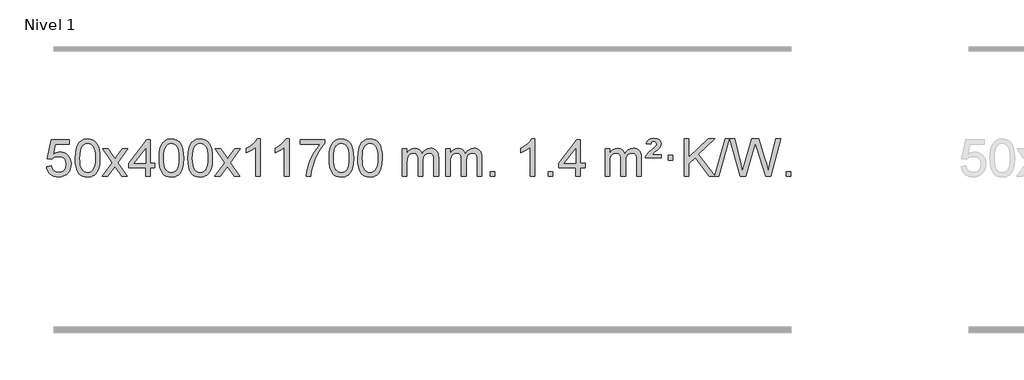
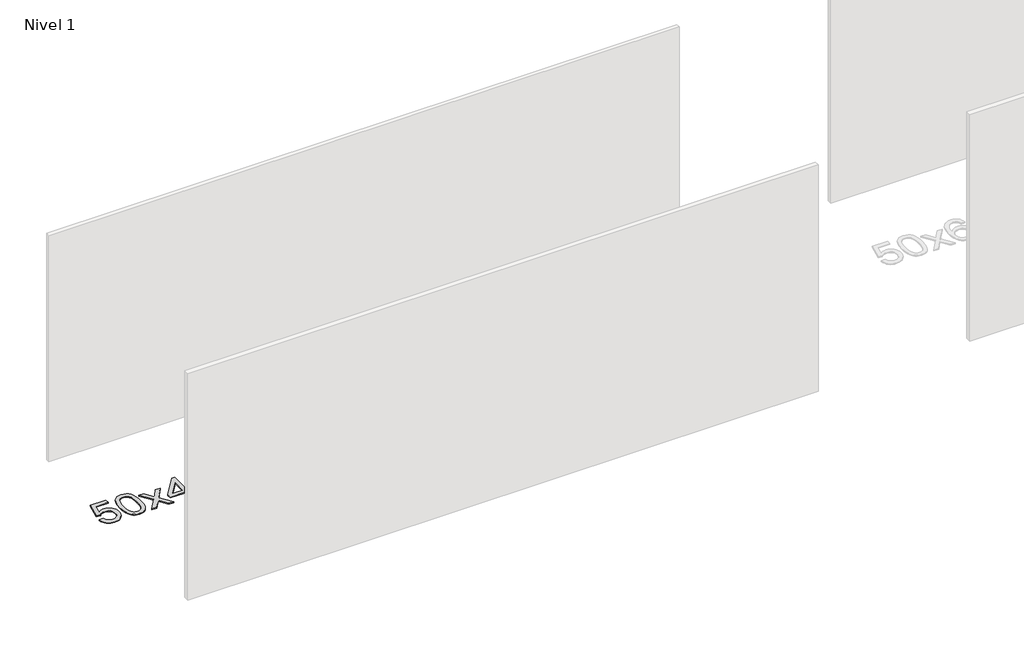
# One storey, part 5 of 12: 1 proxy.
"""IFC4 building model written with IfcOpenShell, lengths in millimetres."""

from ifc_helpers import new_model, si_unit, origin, origin_with_axes, place, context, project, spatial, polyline, outline, extrude, element, save

model = new_model("IFC4")

# Units and contexts
model_context = context("Model", 3, world=origin())
ifc_project = project(units=[si_unit("LENGTHUNIT", "METRE", prefix="MILLI")], contexts=[model_context])

# Site, building, storey
site = spatial("IfcSite", under=ifc_project)
building = spatial("IfcBuilding", under=site)
storey = spatial("IfcBuildingStorey", under=building, Name="Nivel 1", Elevation=0.0)

# Proxy
placement = place(None, origin())
element("IfcBuildingElementProxy", 1, Name="Texto de modelo 1", ObjectType="Texto de modelo 1", at=placement, inside=storey, context=model_context, shape_type="SweptSolid", body=[
    extrude(outline(polyline([(-11709.9934354, -284.8446235), (-11659.7652803, -278.5661041), (-11650.543705, -308.7201649), (-11634.454999, -330.3148381), (-11611.5727389, -343.3010725), (-11581.9705011, -347.6298173), (-11562.8406373, -346.1245668), (-11545.9671165, -341.6088153), (-11531.3499385, -334.0825628), (-11518.9891035, -323.5458094), (-11509.1605228, -310.519721), (-11502.1401081, -295.5254641), (-11496.5237763, -259.6324441), (-11501.7844888, -225.8363514), (-11508.3603795, -211.9181493), (-11517.5666264, -199.9865099), (-11529.4338865, -190.4154467), (-11543.9928164, -183.5789729), (-11581.1856861, -178.1097939), (-11605.5517369, -180.2925604), (-11625.2824746, -186.8408599), (-11641.0400868, -196.8717757), (-11653.4867609, -209.5023908), (-11703.714916, -203.2238715), (-11659.7652803, 3.9672682), (-11465.1311794, 3.9672682), (-11465.1311794, -46.2608869), (-11619.151108, -46.2608869), (-11640.6354166, -156.919791), (-11622.9096358, -144.2155994), (-11604.7546593, -135.1411769), (-11586.1704872, -129.6965234), (-11567.1571194, -127.8816388), (-11542.6960324, -130.1318504), (-11520.2276395, -136.882485), (-11499.7519408, -148.1335427), (-11481.2689362, -163.8850234), (-11465.9681109, -183.1743027), (-11455.03895, -205.038756), (-11448.4814534, -229.4783832), (-11446.2956212, -256.4931844), (-11448.2637899, -282.5147042), (-11454.1682959, -306.7213394), (-11464.0091393, -329.1130902), (-11477.78632, -349.6899565), (-11498.6574919, -370.7634634), (-11523.01128, -385.8159684), (-11550.8476843, -394.8474714), (-11582.1667048, -397.8579724), (-11608.087057, -395.9235262), (-11631.4996803, -390.1201877), (-11652.4045747, -380.447957), (-11670.8017402, -366.9068338), (-11686.1086968, -350.1712688), (-11697.7429649, -330.915712), (-11705.7045445, -309.1401636), (-11709.9934354, -284.8446235)])), origin_with_axes(), (0.0, 0.0, 1.0), 10.0),
    extrude(outline(polyline([(-11402.3459855, -193.9041943), (-11398.6549029, -129.5861588), (-11387.5816548, -78.2911459), (-11369.236606, -39.2343407), (-11357.378543, -24.0009605), (-11343.730121, -11.6309284), (-11328.2453547, -2.0598651), (-11310.8782588, 4.7766086), (-11270.4970785, 10.2457876), (-11239.5459399, 7.008426), (-11211.832163, -2.7036586), (-11188.6555973, -18.5103217), (-11171.3160926, -40.0314184), (-11158.2194935, -67.0830078), (-11147.7716449, -99.4811488), (-11140.9290398, -140.6226186), (-11138.6481714, -193.9041943), (-11142.3024659, -257.8543477), (-11153.2653493, -309.0267333), (-11171.5000336, -348.1203266), (-11183.3305054, -363.3996922), (-11196.9697304, -375.8341036), (-11212.4728908, -385.4695462), (-11229.8951689, -392.3520052), (-11270.4970785, -397.8579724), (-11298.1618045, -395.4667394), (-11322.6872709, -388.2930405), (-11344.0734775, -376.3368757), (-11362.3204245, -359.5982449), (-11379.8316074, -329.3399508), (-11392.3395953, -291.6381776), (-11399.844388, -246.4929255), (-11402.3459855, -193.9041943)]), holes=[polyline([(-11352.1178305, -193.8060924), (-11350.6463025, -237.4706195), (-11346.2317185, -272.8148822), (-11338.8740786, -299.8388804), (-11328.5733828, -318.5426142), (-11316.1144459, -331.2682656), (-11302.2820829, -340.3580165), (-11287.0762937, -345.8118671), (-11270.4970785, -347.6298173), (-11253.9178632, -345.8057357), (-11238.7120741, -340.3334911), (-11224.8797111, -331.2130833), (-11212.4207742, -318.4445124), (-11202.1200783, -299.7101217), (-11194.7624384, -272.6922549), (-11190.3478545, -237.3909118), (-11188.8763265, -193.8060924), (-11190.2988035, -151.2973278), (-11194.5662347, -116.5753989), (-11201.6786199, -89.6403055), (-11211.6359592, -70.4920476), (-11223.8864297, -57.1440625), (-11237.8782082, -47.6097875), (-11253.6112949, -41.8892225), (-11271.0856897, -39.9823675), (-11287.5790658, -41.6623619), (-11302.5273375, -46.7023452), (-11315.9305049, -55.1023175), (-11327.7885679, -66.8622786), (-11338.4326203, -87.708925), (-11346.0355148, -115.8151094), (-11350.5972516, -151.1808319), (-11352.1178305, -193.8060924)])]), origin_with_axes(), (0.0, 0.0, 1.0), 10.0),
    extrude(outline(polyline([(-11113.5340939, -391.579453), (-11006.2106531, -243.2494325), (-11107.2555745, -96.4890419), (-11046.8248254, -96.4890419), (-10998.0681983, -167.122385), (-10975.3085655, -200.4770192), (-10955.5900906, -173.2047007), (-10900.0644348, -96.4890419), (-10839.6336857, -96.4890419), (-10945.7799041, -243.2494325), (-10843.5577603, -391.579453), (-10903.9885094, -391.579453), (-10965.498379, -302.4048574), (-10976.7800935, -286.1199477), (-11053.1033448, -391.579453), (-11113.5340939, -391.579453)])), origin_with_axes(), (0.0, 0.0, 1.0), 10.0),
    extrude(outline(polyline([(-10648.9236594, -391.579453), (-10648.9236594, -297.4016622), (-10831.0007216, -297.4016622), (-10831.0007216, -247.1735072), (-10636.3666207, 3.9672682), (-10598.6955043, 3.9672682), (-10598.6955043, -247.1735072), (-10548.4673493, -247.1735072), (-10548.4673493, -297.4016622), (-10598.6955043, -297.4016622), (-10598.6955043, -391.579453), (-10648.9236594, -391.579453)]), holes=[polyline([(-10648.9236594, -247.1735072), (-10648.9236594, -91.9763561), (-10769.1965464, -247.1735072), (-10648.9236594, -247.1735072)])]), origin_with_axes(), (0.0, 0.0, 1.0), 10.0),
    extrude(outline(polyline([(-10504.5177136, -193.9041943), (-10500.8266309, -129.5861588), (-10489.7533828, -78.2911459), (-10471.408334, -39.2343407), (-10459.550271, -24.0009605), (-10445.901849, -11.6309284), (-10430.4170827, -2.0598651), (-10413.0499869, 4.7766086), (-10372.6688065, 10.2457876), (-10341.717668, 7.008426), (-10314.003891, -2.7036586), (-10290.8273253, -18.5103217), (-10273.4878206, -40.0314184), (-10260.3912216, -67.0830078), (-10249.9433729, -99.4811488), (-10243.1007678, -140.6226186), (-10240.8198994, -193.9041943), (-10244.4741939, -257.8543477), (-10255.4370774, -309.0267333), (-10273.6717616, -348.1203266), (-10285.5022334, -363.3996922), (-10299.1414584, -375.8341036), (-10314.6446188, -385.4695462), (-10332.066897, -392.3520052), (-10372.6688065, -397.8579724), (-10400.3335326, -395.4667394), (-10424.8589989, -388.2930405), (-10446.2452055, -376.3368757), (-10464.4921525, -359.5982449), (-10482.0033355, -329.3399508), (-10494.5113233, -291.6381776), (-10502.016116, -246.4929255), (-10504.5177136, -193.9041943)]), holes=[polyline([(-10454.2895585, -193.8060924), (-10452.8180305, -237.4706195), (-10448.4034466, -272.8148822), (-10441.0458067, -299.8388804), (-10430.7451108, -318.5426142), (-10418.2861739, -331.2682656), (-10404.4538109, -340.3580165), (-10389.2480218, -345.8118671), (-10372.6688065, -347.6298173), (-10356.0895913, -345.8057357), (-10340.8838021, -340.3334911), (-10327.0514391, -331.2130833), (-10314.5925022, -318.4445124), (-10304.2918063, -299.7101217), (-10296.9341664, -272.6922549), (-10292.5195825, -237.3909118), (-10291.0480545, -193.8060924), (-10292.4705316, -151.2973278), (-10296.7379627, -116.5753989), (-10303.8503479, -89.6403055), (-10313.8076873, -70.4920476), (-10326.0581577, -57.1440625), (-10340.0499363, -47.6097875), (-10355.7830229, -41.8892225), (-10373.2574177, -39.9823675), (-10389.7507938, -41.6623619), (-10404.6990656, -46.7023452), (-10418.1022329, -55.1023175), (-10429.9602959, -66.8622786), (-10440.6043483, -87.708925), (-10448.2072429, -115.8151094), (-10452.7689796, -151.1808319), (-10454.2895585, -193.8060924)])]), origin_with_axes(), (0.0, 0.0, 1.0), 10.0),
    extrude(outline(polyline([(-10196.8702638, -193.9041943), (-10193.1791811, -129.5861588), (-10182.105933, -78.2911459), (-10163.7608842, -39.2343407), (-10151.9028212, -24.0009605), (-10138.2543992, -11.6309284), (-10122.7696329, -2.0598651), (-10105.402537, 4.7766086), (-10065.0213567, 10.2457876), (-10034.0702182, 7.008426), (-10006.3564412, -2.7036586), (-9983.1798755, -18.5103217), (-9965.8403708, -40.0314184), (-9952.7437718, -67.0830078), (-9942.2959231, -99.4811488), (-9935.453318, -140.6226186), (-9933.1724496, -193.9041943), (-9936.8267441, -257.8543477), (-9947.7896275, -309.0267333), (-9966.0243118, -348.1203266), (-9977.8547836, -363.3996922), (-9991.4940086, -375.8341036), (-10006.997169, -385.4695462), (-10024.4194471, -392.3520052), (-10065.0213567, -397.8579724), (-10092.6860827, -395.4667394), (-10117.2115491, -388.2930405), (-10138.5977557, -376.3368757), (-10156.8447027, -359.5982449), (-10174.3558856, -329.3399508), (-10186.8638735, -291.6381776), (-10194.3686662, -246.4929255), (-10196.8702638, -193.9041943)]), holes=[polyline([(-10146.6421087, -193.8060924), (-10145.1705807, -237.4706195), (-10140.7559968, -272.8148822), (-10133.3983568, -299.8388804), (-10123.097661, -318.5426142), (-10110.6387241, -331.2682656), (-10096.8063611, -340.3580165), (-10081.6005719, -345.8118671), (-10065.0213567, -347.6298173), (-10048.4421414, -345.8057357), (-10033.2363523, -340.3334911), (-10019.4039893, -331.2130833), (-10006.9450524, -318.4445124), (-9996.6443565, -299.7101217), (-9989.2867166, -272.6922549), (-9984.8721327, -237.3909118), (-9983.4006047, -193.8060924), (-9984.8230817, -151.2973278), (-9989.0905129, -116.5753989), (-9996.2028981, -89.6403055), (-10006.1602375, -70.4920476), (-10018.4107079, -57.1440625), (-10032.4024864, -47.6097875), (-10048.1355731, -41.8892225), (-10065.6099679, -39.9823675), (-10082.103344, -41.6623619), (-10097.0516157, -46.7023452), (-10110.4547831, -55.1023175), (-10122.3128461, -66.8622786), (-10132.9568985, -87.708925), (-10140.559793, -115.8151094), (-10145.1215298, -151.1808319), (-10146.6421087, -193.8060924)])]), origin_with_axes(), (0.0, 0.0, 1.0), 10.0),
    extrude(outline(polyline([(-9908.0583721, -391.579453), (-9800.7349313, -243.2494325), (-9901.7798527, -96.4890419), (-9841.3491036, -96.4890419), (-9792.5924765, -167.122385), (-9769.8328437, -200.4770192), (-9750.1143688, -173.2047007), (-9694.588713, -96.4890419), (-9634.1579639, -96.4890419), (-9740.3041823, -243.2494325), (-9638.0820385, -391.579453), (-9698.5127876, -391.579453), (-9760.0226572, -302.4048574), (-9771.3043717, -286.1199477), (-9847.627623, -391.579453), (-9908.0583721, -391.579453)])), origin_with_axes(), (0.0, 0.0, 1.0), 10.0),
    extrude(outline(polyline([(-9418.3338601, -391.579453), (-9468.5620152, -391.579453), (-9468.5620152, -78.4382987), (-9489.5312889, -95.3976587), (-9516.1414199, -112.3324932), (-9569.0183253, -137.6918254), (-9569.0183253, -90.2105225), (-9529.5691127, -68.7507395), (-9495.3928753, -43.219729), (-9468.4516506, -16.0700378), (-9450.7074757, 10.2457876), (-9418.3338601, 10.2457876), (-9418.3338601, -391.579453)])), origin_with_axes(), (0.0, 0.0, 1.0), 10.0),
    extrude(outline(polyline([(-9110.6864103, -391.579453), (-9160.9145653, -391.579453), (-9160.9145653, -78.4382987), (-9181.8838391, -95.3976587), (-9208.49397, -112.3324932), (-9261.3708755, -137.6918254), (-9261.3708755, -90.2105225), (-9221.9216629, -68.7507395), (-9187.7454255, -43.219729), (-9160.8042007, -16.0700378), (-9143.0600258, 10.2457876), (-9110.6864103, 10.2457876), (-9110.6864103, -391.579453)])), origin_with_axes(), (0.0, 0.0, 1.0), 10.0),
    extrude(outline(polyline([(-8991.394542, -46.2608869), (-8991.394542, 3.9672682), (-8727.6967278, 3.9672682), (-8727.6967278, -36.646904), (-8765.282005, -84.214046), (-8802.4994002, -144.7061088), (-8835.3267369, -212.6048623), (-8859.7418386, -282.3920768), (-8871.7102662, -334.6067947), (-8878.381193, -391.579453), (-8928.6093481, -391.579453), (-8923.1769573, -339.8061935), (-8908.6456185, -278.2717985), (-8885.4077391, -213.0463207), (-8853.8557267, -150.1998132), (-8817.0184762, -93.3865704), (-8777.9248829, -46.2608869), (-8991.394542, -46.2608869)])), origin_with_axes(), (0.0, 0.0, 1.0), 10.0),
    extrude(outline(polyline([(-8683.7470921, -193.9041943), (-8680.0560094, -129.5861588), (-8668.9827614, -78.2911459), (-8650.6377126, -39.2343407), (-8638.7796496, -24.0009605), (-8625.1312276, -11.6309284), (-8609.6464612, -2.0598651), (-8592.2793654, 4.7766086), (-8551.8981851, 10.2457876), (-8520.9470465, 7.008426), (-8493.2332696, -2.7036586), (-8470.0567039, -18.5103217), (-8452.7171992, -40.0314184), (-8439.6206001, -67.0830078), (-8429.1727515, -99.4811488), (-8422.3301463, -140.6226186), (-8420.049278, -193.9041943), (-8423.7035725, -257.8543477), (-8434.6664559, -309.0267333), (-8452.9011401, -348.1203266), (-8464.731612, -363.3996922), (-8478.3708369, -375.8341036), (-8493.8739974, -385.4695462), (-8511.2962755, -392.3520052), (-8551.8981851, -397.8579724), (-8579.5629111, -395.4667394), (-8604.0883774, -388.2930405), (-8625.4745841, -376.3368757), (-8643.721531, -359.5982449), (-8661.232714, -329.3399508), (-8673.7407019, -291.6381776), (-8681.2454946, -246.4929255), (-8683.7470921, -193.9041943)]), holes=[polyline([(-8633.518937, -193.8060924), (-8632.0474091, -237.4706195), (-8627.6328251, -272.8148822), (-8620.2751852, -299.8388804), (-8609.9744894, -318.5426142), (-8597.5155525, -331.2682656), (-8583.6831894, -340.3580165), (-8568.4774003, -345.8118671), (-8551.8981851, -347.6298173), (-8535.3189698, -345.8057357), (-8520.1131807, -340.3334911), (-8506.2808176, -331.2130833), (-8493.8218807, -318.4445124), (-8483.5211849, -299.7101217), (-8476.163545, -272.6922549), (-8471.748961, -237.3909118), (-8470.2774331, -193.8060924), (-8471.6999101, -151.2973278), (-8475.9673412, -116.5753989), (-8483.0797265, -89.6403055), (-8493.0370658, -70.4920476), (-8505.2875363, -57.1440625), (-8519.2793148, -47.6097875), (-8535.0124015, -41.8892225), (-8552.4867962, -39.9823675), (-8568.9801724, -41.6623619), (-8583.9284441, -46.7023452), (-8597.3316115, -55.1023175), (-8609.1896744, -66.8622786), (-8619.8337268, -87.708925), (-8627.4366214, -115.8151094), (-8631.9983581, -151.1808319), (-8633.518937, -193.8060924)])]), origin_with_axes(), (0.0, 0.0, 1.0), 10.0),
    extrude(outline(polyline([(-8376.0996423, -193.9041943), (-8372.4085596, -129.5861588), (-8361.3353115, -78.2911459), (-8342.9902627, -39.2343407), (-8331.1321997, -24.0009605), (-8317.4837777, -11.6309284), (-8301.9990114, -2.0598651), (-8284.6319156, 4.7766086), (-8244.2507352, 10.2457876), (-8213.2995967, 7.008426), (-8185.5858197, -2.7036586), (-8162.409254, -18.5103217), (-8145.0697493, -40.0314184), (-8131.9731503, -67.0830078), (-8121.5253016, -99.4811488), (-8114.6826965, -140.6226186), (-8112.4018281, -193.9041943), (-8116.0561226, -257.8543477), (-8127.0190061, -309.0267333), (-8145.2536903, -348.1203266), (-8157.0841621, -363.3996922), (-8170.7233871, -375.8341036), (-8186.2265475, -385.4695462), (-8203.6488257, -392.3520052), (-8244.2507352, -397.8579724), (-8271.9154613, -395.4667394), (-8296.4409276, -388.2930405), (-8317.8271343, -376.3368757), (-8336.0740812, -359.5982449), (-8353.5852642, -329.3399508), (-8366.093252, -291.6381776), (-8373.5980447, -246.4929255), (-8376.0996423, -193.9041943)]), holes=[polyline([(-8325.8714872, -193.8060924), (-8324.3999592, -237.4706195), (-8319.9853753, -272.8148822), (-8312.6277354, -299.8388804), (-8302.3270395, -318.5426142), (-8289.8681026, -331.2682656), (-8276.0357396, -340.3580165), (-8260.8299505, -345.8118671), (-8244.2507352, -347.6298173), (-8227.67152, -345.8057357), (-8212.4657308, -340.3334911), (-8198.6333678, -331.2130833), (-8186.1744309, -318.4445124), (-8175.873735, -299.7101217), (-8168.5160951, -272.6922549), (-8164.1015112, -237.3909118), (-8162.6299832, -193.8060924), (-8164.0524603, -151.2973278), (-8168.3198914, -116.5753989), (-8175.4322767, -89.6403055), (-8185.389616, -70.4920476), (-8197.6400864, -57.1440625), (-8211.631865, -47.6097875), (-8227.3649516, -41.8892225), (-8244.8393464, -39.9823675), (-8261.3327225, -41.6623619), (-8276.2809943, -46.7023452), (-8289.6841616, -55.1023175), (-8301.5422246, -66.8622786), (-8312.186277, -87.708925), (-8319.7891716, -115.8151094), (-8324.3509083, -151.1808319), (-8325.8714872, -193.8060924)])]), origin_with_axes(), (0.0, 0.0, 1.0), 10.0),
    extrude(outline(polyline([(-7898.9321691, -391.579453), (-7898.9321691, -96.4890419), (-7848.704014, -96.4890419), (-7848.704014, -145.0494653), (-7833.5963267, -122.7435537), (-7814.1721574, -105.2691589), (-7791.0936936, -93.9751816), (-7765.0231228, -90.2105225), (-7737.0886167, -94.048758), (-7714.6968659, -105.5634645), (-7697.9704978, -123.9943524), (-7687.0321399, -148.5811324), (-7668.7238792, -123.0439906), (-7647.8404446, -104.803175), (-7624.3818361, -93.8586857), (-7598.3480536, -90.2105225), (-7578.2402368, -91.7280358), (-7560.5910981, -96.2805755), (-7545.4006374, -103.8681416), (-7532.6688547, -114.4907342), (-7522.6042164, -128.2709806), (-7515.4151891, -145.3315082), (-7511.1017727, -165.6723168), (-7509.6639672, -189.2934066), (-7509.6639672, -391.579453), (-7559.8921223, -391.579453), (-7559.8921223, -210.875817), (-7561.057082, -185.8230531), (-7564.5519609, -168.9372695), (-7571.1002604, -157.3735121), (-7581.4254818, -148.2868268), (-7594.7060218, -142.4007149), (-7610.1202774, -140.4386776), (-7637.3312823, -145.4663982), (-7659.5145666, -160.54956), (-7668.1199396, -172.1194488), (-7674.2666346, -186.7182326), (-7679.1839906, -225.0024856), (-7679.1839906, -391.579453), (-7729.4121457, -391.579453), (-7729.4121457, -205.2840106), (-7732.3184135, -176.8835206), (-7741.0372167, -156.6254854), (-7756.3778959, -144.4853796), (-7779.1497914, -140.4386776), (-7798.5003844, -143.1364789), (-7816.3303984, -151.2298828), (-7831.0456782, -164.5226856), (-7841.0520685, -182.8186835), (-7846.7910276, -208.2025411), (-7848.704014, -242.7589232), (-7848.704014, -391.579453), (-7898.9321691, -391.579453)])), origin_with_axes(), (0.0, 0.0, 1.0), 10.0),
    extrude(outline(polyline([(-7434.3217346, -391.579453), (-7434.3217346, -96.4890419), (-7384.0935796, -96.4890419), (-7384.0935796, -145.0494653), (-7368.9858923, -122.7435537), (-7349.5617229, -105.2691589), (-7326.4832591, -93.9751816), (-7300.4126884, -90.2105225), (-7272.4781822, -94.048758), (-7250.0864315, -105.5634645), (-7233.3600634, -123.9943524), (-7222.4217054, -148.5811324), (-7204.1134448, -123.0439906), (-7183.2300102, -104.803175), (-7159.7714016, -93.8586857), (-7133.7376191, -90.2105225), (-7113.6298024, -91.7280358), (-7095.9806637, -96.2805755), (-7080.790203, -103.8681416), (-7068.0584202, -114.4907342), (-7057.993782, -128.2709806), (-7050.8047547, -145.3315082), (-7046.4913383, -165.6723168), (-7045.0535328, -189.2934066), (-7045.0535328, -391.579453), (-7095.2816879, -391.579453), (-7095.2816879, -210.875817), (-7096.4466475, -185.8230531), (-7099.9415265, -168.9372695), (-7106.489826, -157.3735121), (-7116.8150473, -148.2868268), (-7130.0955874, -142.4007149), (-7145.509843, -140.4386776), (-7172.7208479, -145.4663982), (-7194.9041322, -160.54956), (-7203.5095052, -172.1194488), (-7209.6562002, -186.7182326), (-7214.5735562, -225.0024856), (-7214.5735562, -391.579453), (-7264.8017113, -391.579453), (-7264.8017113, -205.2840106), (-7267.707979, -176.8835206), (-7276.4267823, -156.6254854), (-7291.7674615, -144.4853796), (-7314.539357, -140.4386776), (-7333.88995, -143.1364789), (-7351.719964, -151.2298828), (-7366.4352438, -164.5226856), (-7376.4416341, -182.8186835), (-7382.1805932, -208.2025411), (-7384.0935796, -242.7589232), (-7384.0935796, -391.579453), (-7434.3217346, -391.579453)])), origin_with_axes(), (0.0, 0.0, 1.0), 10.0),
    extrude(outline(polyline([(-6957.1542614, -391.579453), (-6957.1542614, -341.3512979), (-6906.9261064, -341.3512979), (-6906.9261064, -391.579453), (-6957.1542614, -391.579453)])), origin_with_axes(), (0.0, 0.0, 1.0), 10.0),
    extrude(outline(polyline([(-6479.9867882, -391.579453), (-6530.2149433, -391.579453), (-6530.2149433, -78.4382987), (-6551.184217, -95.3976587), (-6577.794348, -112.3324932), (-6630.6712534, -137.6918254), (-6630.6712534, -90.2105225), (-6591.2220408, -68.7507395), (-6557.0458035, -43.219729), (-6530.1045787, -16.0700378), (-6512.3604038, 10.2457876), (-6479.9867882, 10.2457876), (-6479.9867882, -391.579453)])), origin_with_axes(), (0.0, 0.0, 1.0), 10.0),
    extrude(outline(polyline([(-6335.5808424, -391.579453), (-6335.5808424, -341.3512979), (-6285.3526873, -341.3512979), (-6285.3526873, -391.579453), (-6335.5808424, -391.579453)])), origin_with_axes(), (0.0, 0.0, 1.0), 10.0),
    extrude(outline(polyline([(-6040.4904313, -391.579453), (-6040.4904313, -297.4016622), (-6222.5674935, -297.4016622), (-6222.5674935, -247.1735072), (-6027.9333925, 3.9672682), (-5990.2622762, 3.9672682), (-5990.2622762, -247.1735072), (-5940.0341212, -247.1735072), (-5940.0341212, -297.4016622), (-5990.2622762, -297.4016622), (-5990.2622762, -391.579453), (-6040.4904313, -391.579453)]), holes=[polyline([(-6040.4904313, -247.1735072), (-6040.4904313, -91.9763561), (-6160.7633183, -247.1735072), (-6040.4904313, -247.1735072)])]), origin_with_axes(), (0.0, 0.0, 1.0), 10.0),
    extrude(outline(polyline([(-5726.5644621, -391.579453), (-5726.5644621, -96.4890419), (-5676.336307, -96.4890419), (-5676.336307, -145.0494653), (-5661.2286197, -122.7435537), (-5641.8044504, -105.2691589), (-5618.7259866, -93.9751816), (-5592.6554158, -90.2105225), (-5564.7209097, -94.048758), (-5542.3291589, -105.5634645), (-5525.6027909, -123.9943524), (-5514.6644329, -148.5811324), (-5496.3561722, -123.0439906), (-5475.4727377, -104.803175), (-5452.0141291, -93.8586857), (-5425.9803466, -90.2105225), (-5405.8725298, -91.7280358), (-5388.2233911, -96.2805755), (-5373.0329304, -103.8681416), (-5360.3011477, -114.4907342), (-5350.2365094, -128.2709806), (-5343.0474821, -145.3315082), (-5338.7340657, -165.6723168), (-5337.2962603, -189.2934066), (-5337.2962603, -391.579453), (-5387.5244153, -391.579453), (-5387.5244153, -210.875817), (-5388.689375, -185.8230531), (-5392.1842539, -168.9372695), (-5398.7325535, -157.3735121), (-5409.0577748, -148.2868268), (-5422.3383148, -142.4007149), (-5437.7525704, -140.4386776), (-5464.9635753, -145.4663982), (-5487.1468596, -160.54956), (-5495.7522326, -172.1194488), (-5501.8989276, -186.7182326), (-5506.8162836, -225.0024856), (-5506.8162836, -391.579453), (-5557.0444387, -391.579453), (-5557.0444387, -205.2840106), (-5559.9507065, -176.8835206), (-5568.6695098, -156.6254854), (-5584.010189, -144.4853796), (-5606.7820845, -140.4386776), (-5626.1326774, -143.1364789), (-5643.9626914, -151.2298828), (-5658.6779713, -164.5226856), (-5668.6843615, -182.8186835), (-5674.4233206, -208.2025411), (-5676.336307, -242.7589232), (-5676.336307, -391.579453), (-5726.5644621, -391.579453)])), origin_with_axes(), (0.0, 0.0, 1.0), 10.0),
    extrude(outline(polyline([(-5293.3466246, -190.6668327), (-5289.5206518, -174.8479069), (-5281.1819933, -158.9799302), (-5259.6731593, -133.8413272), (-5227.7164766, -106.1030247), (-5183.5706372, -68.726214), (-5176.4337265, -57.1992448), (-5174.0547563, -45.3779701), (-5175.9432172, -33.2869152), (-5181.6085999, -23.5012541), (-5190.977328, -17.026531), (-5203.9758252, -14.8682899), (-5216.4102366, -16.4869707), (-5225.26393, -21.343013), (-5231.6896022, -30.8098431), (-5236.8399501, -46.2608869), (-5287.0681052, -39.9823675), (-5276.2278491, -14.7701881), (-5259.5995829, 2.7900458), (-5235.834406, 13.0907417), (-5203.5834178, 16.524307), (-5167.8007624, 12.3917659), (-5143.0545668, -0.0058573), (-5128.6335926, -18.3386434), (-5123.8266012, -40.2766731), (-5127.9223541, -63.1834586), (-5140.2096127, -84.8149199), (-5160.737428, -104.6314968), (-5197.2067965, -132.6886303), (-5222.8113834, -159.2742358), (-5123.8266012, -159.2742358), (-5123.8266012, -190.6668327), (-5293.3466246, -190.6668327)])), origin_with_axes(), (0.0, 0.0, 1.0), 10.0),
    extrude(outline(polyline([(-5048.4843686, -215.7809102), (-5048.4843686, -165.5527552), (-4998.2562135, -165.5527552), (-4998.2562135, -215.7809102), (-5048.4843686, -215.7809102)])), origin_with_axes(), (0.0, 0.0, 1.0), 10.0),
    extrude(outline(polyline([(-4607.6145856, -391.579453), (-4761.045903, -188.9009991), (-4828.7361901, -253.4520265), (-4828.7361901, -391.579453), (-4878.9643452, -391.579453), (-4878.9643452, 10.2457876), (-4828.7361901, 10.2457876), (-4828.7361901, -186.4484525), (-4622.7222728, 10.2457876), (-4552.4813372, 10.2457876), (-4725.4349259, -154.9577537), (-4550.781316, -385.5349332), (-4439.4679883, 10.2457876), (-4394.1449265, 10.2457876), (-4507.1582754, -391.579453), (-4546.2028178, -391.579453), (-4552.4813372, -391.579453), (-4607.6145856, -391.579453)])), origin_with_axes(), (0.0, 0.0, 1.0), 10.0),
    extrude(outline(polyline([(-4279.6600496, -391.579453), (-4389.2398332, 10.2457876), (-4337.4420483, 10.2457876), (-4273.8720395, -253.844434), (-4254.2516665, -335.3670841), (-4233.2578673, -263.2622131), (-4153.5991526, 10.2457876), (-4078.943633, 10.2457876), (-4021.0635325, -188.0180823), (-3996.268286, -261.5944814), (-3977.9968136, -335.3670841), (-3958.9650517, -256.1988788), (-3894.8064317, 10.2457876), (-3843.0086468, 10.2457876), (-3952.6865323, -391.579453), (-4006.3482526, -391.579453), (-4102.6842845, -81.5775584), (-4116.12424, -38.3146358), (-4131.2319273, -90.4067263), (-4219.0330968, -391.579453), (-4279.6600496, -391.579453)])), origin_with_axes(), (0.0, 0.0, 1.0), 10.0),
    extrude(outline(polyline([(-3786.5019723, -391.579453), (-3786.5019723, -341.3512979), (-3736.2738173, -341.3512979), (-3736.2738173, -391.579453), (-3786.5019723, -391.579453)])), origin_with_axes(), (0.0, 0.0, 1.0), 10.0),
])

save(model, "model.ifc")
